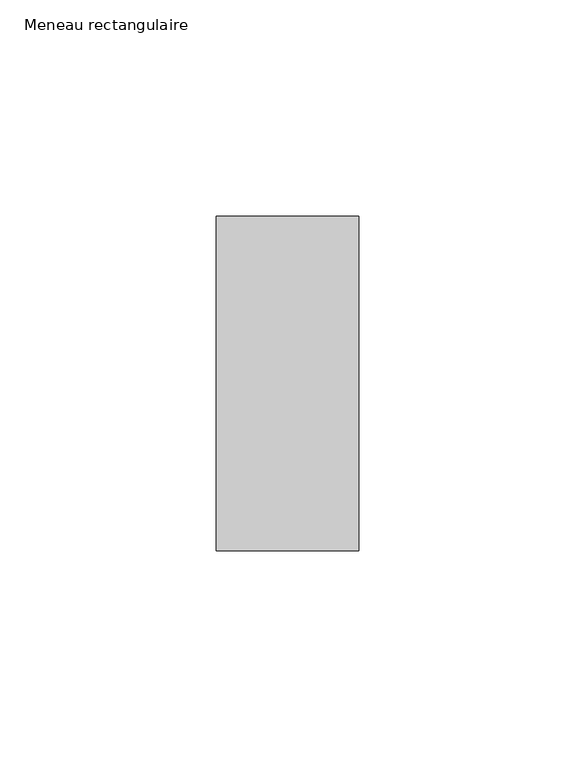
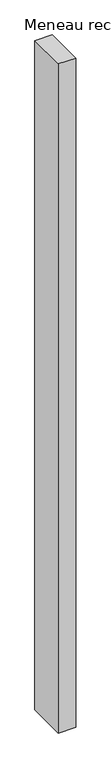
"""IFC4 building model written with IfcOpenShell, lengths in millimetres: member geometry, Meneau rectangulaire."""

from ifc_helpers import new_model, si_unit, frame, origin, place, context, project, spatial, polyline, outline, extrude, source, transform, mapped, element, save


def meneau_rectangulaire_eb2b02a5(model_context):
    return source(origin(), model_context, "Body", "SweptSolid", [
        extrude(outline(polyline([(0.0, 38.75), (0.0, -38.75), (-33.0, -38.75), (-33.0, 38.75), (0.0, 38.75)])), frame((0.0, 0.0, -1351.5000002), z_axis=(0.0, 0.0, 1.0), x_axis=(1.0, 0.0, 0.0)), (0.0, 0.0, 1.0), 1351.5000002),
    ])


if __name__ == "__main__":
    model = new_model("IFC4")
    model_context = context("Model", 3, world=origin())
    ifc_project = project(units=[si_unit("LENGTHUNIT", "METRE", prefix="MILLI")], contexts=[model_context])
    site = spatial("IfcSite", under=ifc_project)
    building = spatial("IfcBuilding", under=site)
    placement = place(None, origin())
    meneau_rectangulaire_shape = meneau_rectangulaire_eb2b02a5(model_context)
    element("IfcMember", 1, ObjectType="Meneau rectangulaire", at=placement, inside=building, context=model_context, shape_type="MappedRepresentation", body=[
        mapped(meneau_rectangulaire_shape, transform((0.0, 0.0, 0.0), x_axis=(1.0, 0.0, 0.0), y_axis=(0.0, 1.0, 0.0), z_axis=(0.0, 0.0, 1.0))),
    ])
    save(model, "model.ifc")
